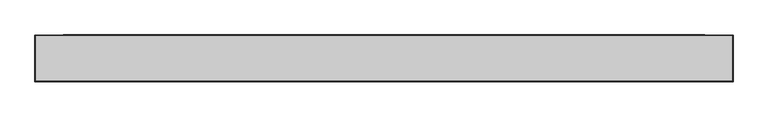
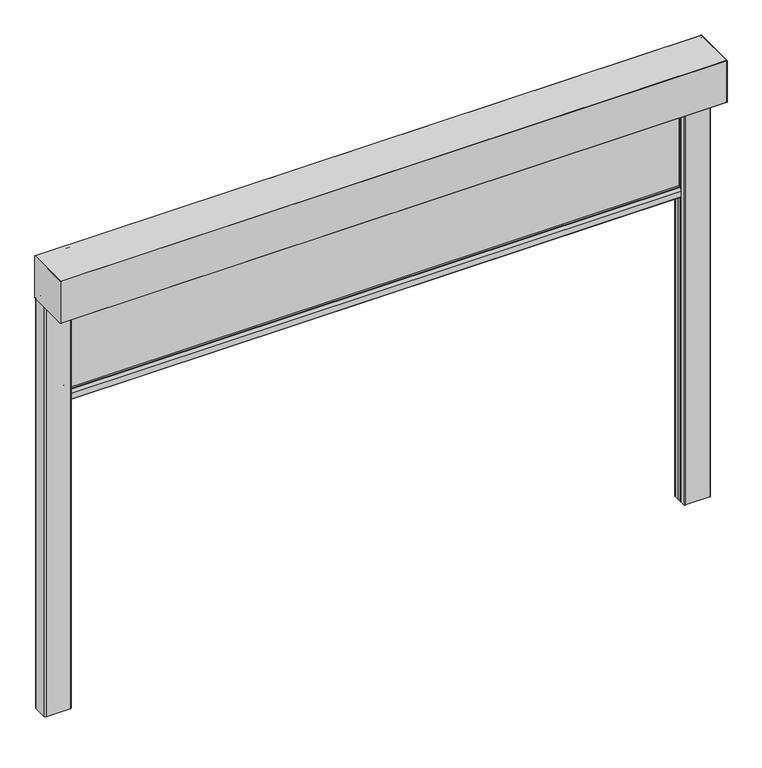
"""IFC4 building model written with IfcOpenShell, lengths in millimetres: alarm geometry."""

from ifc_helpers import new_model, si_unit, point, frame, frame_2d, origin, place, context, project, spatial, polyline, circle_curve, trimmed, segment, composite_curve, outline, extrude, source, transform, mapped, element, save
from ifc_brep_helpers import plane_surface, cylinder_surface, revolved_surface, advanced_brep


def alarm_fae5b232(model_context):
    return source(origin(), model_context, "Body", "SolidModel", [
        extrude(outline(composite_curve([segment(polyline([(32.3130377, -455.0), (67.6869623, -455.0)]), True, "CONTINUOUS"), segment(trimmed(circle_curve(frame_2d((67.6869623, -457.0)), 2.0), [point((67.6869623, -455.0))], [point((69.5220736, -456.2047851))], False, "CARTESIAN"), True, "CONTINUOUS"), segment(polyline([(69.5220736, -456.2047851), (75.5, -470.0), (75.5, -498.0)]), True, "CONTINUOUS"), segment(trimmed(circle_curve(frame_2d((73.5, -498.0)), 2.0), [point((75.5, -498.0))], [point((73.5, -500.0))], False, "CARTESIAN"), True, "CONTINUOUS"), segment(polyline([(73.5, -500.0), (26.5, -500.0)]), True, "CONTINUOUS"), segment(trimmed(circle_curve(frame_2d((26.5, -498.0)), 2.0), [point((26.5, -500.0))], [point((24.5, -498.0))], False, "CARTESIAN"), True, "CONTINUOUS"), segment(polyline([(24.5, -498.0), (24.5, -470.0), (30.4779264, -456.2047851)]), True, "CONTINUOUS"), segment(trimmed(circle_curve(frame_2d((32.3130377, -457.0)), 2.0), [point((30.4779264, -456.2047851))], [point((32.3130377, -455.0))], False, "CARTESIAN"), True, "CONTINUOUS")], self_intersect=False)), frame((-1380.0, 0.0, 0.0), z_axis=(1.0, 0.0, 0.0), x_axis=(0.0, 1.0, 0.0)), (0.0, 0.0, 1.0), 2760.0),
        extrude(outline(polyline([(1380.0, 42.5), (-1380.0, 42.5), (-1380.0, 57.5), (1380.0, 57.5), (1380.0, 42.5)])), frame((0.0, 0.0, -455.0), z_axis=(0.0, 0.0, 1.0), x_axis=(1.0, 0.0, 0.0)), (0.0, 0.0, 1.0), 465.0),
        extrude(outline(composite_curve([segment(polyline([(-125.0, 1.0), (-125.0, 199.0)]), True, "CONTINUOUS"), segment(trimmed(circle_curve(frame_2d((-124.0, 199.0)), 1.0), [point((-125.0, 199.0))], [point((-124.0, 200.0))], False, "CARTESIAN"), True, "CONTINUOUS"), segment(polyline([(-124.0, 200.0), (74.0, 200.0)]), True, "CONTINUOUS"), segment(trimmed(circle_curve(frame_2d((74.0, 199.0)), 1.0), [point((74.0, 200.0))], [point((75.0, 199.0))], False, "CARTESIAN"), True, "CONTINUOUS"), segment(polyline([(75.0, 199.0), (75.0, 1.5)]), True, "CONTINUOUS"), segment(trimmed(circle_curve(frame_2d((73.5, 1.5)), 1.5), [point((75.0, 1.5))], [point((73.5, 0.0))], False, "CARTESIAN"), True, "CONTINUOUS"), segment(polyline([(73.5, 0.0), (-124.0, 0.0)]), True, "CONTINUOUS"), segment(trimmed(circle_curve(frame_2d((-124.0, 1.0)), 1.0), [point((-124.0, 0.0))], [point((-125.0, 1.0))], False, "CARTESIAN"), True, "CONTINUOUS")], self_intersect=False)), frame((1500.0, 0.0, 0.0), z_axis=(1.0, 0.0, 0.0), x_axis=(0.0, 1.0, 0.0)), (0.0, 0.0, 1.0), 1.0),
        extrude(outline(composite_curve([segment(polyline([(-125.0, 1.0), (-125.0, 199.0)]), True, "CONTINUOUS"), segment(trimmed(circle_curve(frame_2d((-124.0, 199.0)), 1.0), [point((-125.0, 199.0))], [point((-124.0, 200.0))], False, "CARTESIAN"), True, "CONTINUOUS"), segment(polyline([(-124.0, 200.0), (74.0, 200.0)]), True, "CONTINUOUS"), segment(trimmed(circle_curve(frame_2d((74.0, 199.0)), 1.0), [point((74.0, 200.0))], [point((75.0, 199.0))], False, "CARTESIAN"), True, "CONTINUOUS"), segment(polyline([(75.0, 199.0), (75.0, 1.5)]), True, "CONTINUOUS"), segment(trimmed(circle_curve(frame_2d((73.5, 1.5)), 1.5), [point((75.0, 1.5))], [point((73.5, 0.0))], False, "CARTESIAN"), True, "CONTINUOUS"), segment(polyline([(73.5, 0.0), (-124.0, 0.0)]), True, "CONTINUOUS"), segment(trimmed(circle_curve(frame_2d((-124.0, 1.0)), 1.0), [point((-124.0, 0.0))], [point((-125.0, 1.0))], False, "CARTESIAN"), True, "CONTINUOUS")], self_intersect=False)), frame((-1501.0, 0.0, 0.0), z_axis=(1.0, 0.0, 0.0), x_axis=(0.0, 1.0, 0.0)), (0.0, 0.0, 1.0), 1.0),
        extrude(outline(composite_curve([segment(trimmed(circle_curve(frame_2d((1385.0, 70.0)), 5.0), [point((1380.0, 70.0))], [point((1385.0, 75.0))], False, "CARTESIAN"), True, "CONTINUOUS"), segment(polyline([(1385.0, 75.0), (1495.0, 75.0)]), True, "CONTINUOUS"), segment(trimmed(circle_curve(frame_2d((1495.0, 70.0)), 5.0), [point((1495.0, 75.0))], [point((1500.0, 70.0))], False, "CARTESIAN"), True, "CONTINUOUS"), segment(polyline([(1500.0, 70.0), (1500.0, 4.0)]), True, "CONTINUOUS"), segment(trimmed(circle_curve(frame_2d((1495.0, 4.0)), 5.0), [point((1500.0, 4.0))], [point((1495.0, -1.0))], False, "CARTESIAN"), True, "CONTINUOUS"), segment(polyline([(1495.0, -1.0), (1385.0, -1.0)]), True, "CONTINUOUS"), segment(trimmed(circle_curve(frame_2d((1385.0, 4.0)), 5.0), [point((1385.0, -1.0))], [point((1380.0, 4.0))], False, "CARTESIAN"), True, "CONTINUOUS"), segment(polyline([(1380.0, 4.0), (1380.0, 28.0)]), True, "CONTINUOUS"), segment(trimmed(circle_curve(frame_2d((1384.0, 28.0)), 4.0), [point((1380.0, 28.0))], [point((1384.0, 32.0))], False, "CARTESIAN"), True, "CONTINUOUS"), segment(polyline([(1384.0, 32.0), (1419.0, 32.0)]), True, "CONTINUOUS"), segment(trimmed(circle_curve(frame_2d((1419.0, 28.0)), 4.0), [point((1419.0, 32.0))], [point((1423.0, 28.0))], False, "CARTESIAN"), True, "CONTINUOUS"), segment(polyline([(1423.0, 28.0), (1423.0, 14.0)]), True, "CONTINUOUS"), segment(trimmed(circle_curve(frame_2d((1425.0, 14.0)), 2.0), [point((1423.0, 14.0))], [point((1425.0, 12.0))], True, "CARTESIAN"), True, "CONTINUOUS"), segment(polyline([(1425.0, 12.0), (1476.0, 12.0)]), True, "CONTINUOUS"), segment(trimmed(circle_curve(frame_2d((1476.0, 14.0)), 2.0), [point((1476.0, 12.0))], [point((1478.0, 14.0))], True, "CARTESIAN"), True, "CONTINUOUS"), segment(polyline([(1478.0, 14.0), (1478.0, 40.0)]), True, "CONTINUOUS"), segment(trimmed(circle_curve(frame_2d((1476.0, 40.0)), 2.0), [point((1478.0, 40.0))], [point((1476.0, 42.0))], True, "CARTESIAN"), True, "CONTINUOUS"), segment(polyline([(1476.0, 42.0), (1384.0, 42.0)]), True, "CONTINUOUS"), segment(trimmed(circle_curve(frame_2d((1384.0, 46.0)), 4.0), [point((1384.0, 42.0))], [point((1380.0, 46.0))], False, "CARTESIAN"), True, "CONTINUOUS"), segment(polyline([(1380.0, 46.0), (1380.0, 70.0)]), True, "CONTINUOUS")], self_intersect=False), holes=[composite_curve([segment(polyline([(1419.0, 30.0), (1384.0, 30.0)]), True, "CONTINUOUS"), segment(trimmed(circle_curve(frame_2d((1384.0, 28.0)), 2.0), [point((1384.0, 30.0))], [point((1382.0, 28.0))], True, "CARTESIAN"), True, "CONTINUOUS"), segment(polyline([(1382.0, 28.0), (1382.0, 4.0)]), True, "CONTINUOUS"), segment(trimmed(circle_curve(frame_2d((1385.0, 4.0)), 3.0), [point((1382.0, 4.0))], [point((1385.0, 1.0))], True, "CARTESIAN"), True, "CONTINUOUS"), segment(polyline([(1385.0, 1.0), (1495.0, 1.0)]), True, "CONTINUOUS"), segment(trimmed(circle_curve(frame_2d((1495.0, 4.0)), 3.0), [point((1495.0, 1.0))], [point((1498.0, 4.0))], True, "CARTESIAN"), True, "CONTINUOUS"), segment(polyline([(1498.0, 4.0), (1498.0, 70.0)]), True, "CONTINUOUS"), segment(trimmed(circle_curve(frame_2d((1495.0, 70.0)), 3.0), [point((1498.0, 70.0))], [point((1495.0, 73.0))], True, "CARTESIAN"), True, "CONTINUOUS"), segment(polyline([(1495.0, 73.0), (1385.0, 73.0)]), True, "CONTINUOUS"), segment(trimmed(circle_curve(frame_2d((1385.0, 70.0)), 3.0), [point((1385.0, 73.0))], [point((1382.0, 70.0))], True, "CARTESIAN"), True, "CONTINUOUS"), segment(polyline([(1382.0, 70.0), (1382.0, 46.0)]), True, "CONTINUOUS"), segment(trimmed(circle_curve(frame_2d((1384.0, 46.0)), 2.0), [point((1382.0, 46.0))], [point((1384.0, 44.0))], True, "CARTESIAN"), True, "CONTINUOUS"), segment(polyline([(1384.0, 44.0), (1476.0, 44.0)]), True, "CONTINUOUS"), segment(trimmed(circle_curve(frame_2d((1476.0, 40.0)), 4.0), [point((1476.0, 44.0))], [point((1480.0, 40.0))], False, "CARTESIAN"), True, "CONTINUOUS"), segment(polyline([(1480.0, 40.0), (1480.0, 14.0)]), True, "CONTINUOUS"), segment(trimmed(circle_curve(frame_2d((1476.0, 14.0)), 4.0), [point((1480.0, 14.0))], [point((1476.0, 10.0))], False, "CARTESIAN"), True, "CONTINUOUS"), segment(polyline([(1476.0, 10.0), (1425.0, 10.0)]), True, "CONTINUOUS"), segment(trimmed(circle_curve(frame_2d((1425.0, 14.0)), 4.0), [point((1425.0, 10.0))], [point((1421.0, 14.0))], False, "CARTESIAN"), True, "CONTINUOUS"), segment(polyline([(1421.0, 14.0), (1421.0, 28.0)]), True, "CONTINUOUS"), segment(trimmed(circle_curve(frame_2d((1419.0, 28.0)), 2.0), [point((1421.0, 28.0))], [point((1419.0, 30.0))], True, "CARTESIAN"), True, "CONTINUOUS")], self_intersect=False)]), frame((0.0, 0.0, -1950.0), z_axis=(0.0, 0.0, 1.0), x_axis=(1.0, 0.0, 0.0)), (0.0, 0.0, 1.0), 1950.0),
        extrude(outline(composite_curve([segment(trimmed(circle_curve(frame_2d((-1385.0, 4.0)), 5.0), [point((-1380.0, 4.0))], [point((-1385.0, -1.0))], False, "CARTESIAN"), True, "CONTINUOUS"), segment(polyline([(-1385.0, -1.0), (-1495.0, -1.0)]), True, "CONTINUOUS"), segment(trimmed(circle_curve(frame_2d((-1495.0, 4.0)), 5.0), [point((-1495.0, -1.0))], [point((-1500.0, 4.0))], False, "CARTESIAN"), True, "CONTINUOUS"), segment(polyline([(-1500.0, 4.0), (-1500.0, 70.0)]), True, "CONTINUOUS"), segment(trimmed(circle_curve(frame_2d((-1495.0, 70.0)), 5.0), [point((-1500.0, 70.0))], [point((-1495.0, 75.0))], False, "CARTESIAN"), True, "CONTINUOUS"), segment(polyline([(-1495.0, 75.0), (-1385.0, 75.0)]), True, "CONTINUOUS"), segment(trimmed(circle_curve(frame_2d((-1385.0, 70.0)), 5.0), [point((-1385.0, 75.0))], [point((-1380.0, 70.0))], False, "CARTESIAN"), True, "CONTINUOUS"), segment(polyline([(-1380.0, 70.0), (-1380.0, 46.0)]), True, "CONTINUOUS"), segment(trimmed(circle_curve(frame_2d((-1384.0, 46.0)), 4.0), [point((-1380.0, 46.0))], [point((-1384.0, 42.0))], False, "CARTESIAN"), True, "CONTINUOUS"), segment(polyline([(-1384.0, 42.0), (-1476.0, 42.0)]), True, "CONTINUOUS"), segment(trimmed(circle_curve(frame_2d((-1476.0, 40.0)), 2.0), [point((-1476.0, 42.0))], [point((-1478.0, 40.0))], True, "CARTESIAN"), True, "CONTINUOUS"), segment(polyline([(-1478.0, 40.0), (-1478.0, 14.0)]), True, "CONTINUOUS"), segment(trimmed(circle_curve(frame_2d((-1476.0, 14.0)), 2.0), [point((-1478.0, 14.0))], [point((-1476.0, 12.0))], True, "CARTESIAN"), True, "CONTINUOUS"), segment(polyline([(-1476.0, 12.0), (-1425.0, 12.0)]), True, "CONTINUOUS"), segment(trimmed(circle_curve(frame_2d((-1425.0, 14.0)), 2.0), [point((-1425.0, 12.0))], [point((-1423.0, 14.0))], True, "CARTESIAN"), True, "CONTINUOUS"), segment(polyline([(-1423.0, 14.0), (-1423.0, 28.0)]), True, "CONTINUOUS"), segment(trimmed(circle_curve(frame_2d((-1419.0, 28.0)), 4.0), [point((-1423.0, 28.0))], [point((-1419.0, 32.0))], False, "CARTESIAN"), True, "CONTINUOUS"), segment(polyline([(-1419.0, 32.0), (-1384.0, 32.0)]), True, "CONTINUOUS"), segment(trimmed(circle_curve(frame_2d((-1384.0, 28.0)), 4.0), [point((-1384.0, 32.0))], [point((-1380.0, 28.0))], False, "CARTESIAN"), True, "CONTINUOUS"), segment(polyline([(-1380.0, 28.0), (-1380.0, 4.0)]), True, "CONTINUOUS")], self_intersect=False), holes=[composite_curve([segment(trimmed(circle_curve(frame_2d((-1384.0, 28.0)), 2.0), [point((-1382.0, 28.0))], [point((-1384.0, 30.0))], True, "CARTESIAN"), True, "CONTINUOUS"), segment(polyline([(-1384.0, 30.0), (-1419.0, 30.0)]), True, "CONTINUOUS"), segment(trimmed(circle_curve(frame_2d((-1419.0, 28.0)), 2.0), [point((-1419.0, 30.0))], [point((-1421.0, 28.0))], True, "CARTESIAN"), True, "CONTINUOUS"), segment(polyline([(-1421.0, 28.0), (-1421.0, 14.0)]), True, "CONTINUOUS"), segment(trimmed(circle_curve(frame_2d((-1425.0, 14.0)), 4.0), [point((-1421.0, 14.0))], [point((-1425.0, 10.0))], False, "CARTESIAN"), True, "CONTINUOUS"), segment(polyline([(-1425.0, 10.0), (-1476.0, 10.0)]), True, "CONTINUOUS"), segment(trimmed(circle_curve(frame_2d((-1476.0, 14.0)), 4.0), [point((-1476.0, 10.0))], [point((-1480.0, 14.0))], False, "CARTESIAN"), True, "CONTINUOUS"), segment(polyline([(-1480.0, 14.0), (-1480.0, 40.0)]), True, "CONTINUOUS"), segment(trimmed(circle_curve(frame_2d((-1476.0, 40.0)), 4.0), [point((-1480.0, 40.0))], [point((-1476.0, 44.0))], False, "CARTESIAN"), True, "CONTINUOUS"), segment(polyline([(-1476.0, 44.0), (-1384.0, 44.0)]), True, "CONTINUOUS"), segment(trimmed(circle_curve(frame_2d((-1384.0, 46.0)), 2.0), [point((-1384.0, 44.0))], [point((-1382.0, 46.0))], True, "CARTESIAN"), True, "CONTINUOUS"), segment(polyline([(-1382.0, 46.0), (-1382.0, 70.0)]), True, "CONTINUOUS"), segment(trimmed(circle_curve(frame_2d((-1385.0, 70.0)), 3.0), [point((-1382.0, 70.0))], [point((-1385.0, 73.0))], True, "CARTESIAN"), True, "CONTINUOUS"), segment(polyline([(-1385.0, 73.0), (-1495.0, 73.0)]), True, "CONTINUOUS"), segment(trimmed(circle_curve(frame_2d((-1495.0, 70.0)), 3.0), [point((-1495.0, 73.0))], [point((-1498.0, 70.0))], True, "CARTESIAN"), True, "CONTINUOUS"), segment(polyline([(-1498.0, 70.0), (-1498.0, 4.0)]), True, "CONTINUOUS"), segment(trimmed(circle_curve(frame_2d((-1495.0, 4.0)), 3.0), [point((-1498.0, 4.0))], [point((-1495.0, 1.0))], True, "CARTESIAN"), True, "CONTINUOUS"), segment(polyline([(-1495.0, 1.0), (-1385.0, 1.0)]), True, "CONTINUOUS"), segment(trimmed(circle_curve(frame_2d((-1385.0, 4.0)), 3.0), [point((-1385.0, 1.0))], [point((-1382.0, 4.0))], True, "CARTESIAN"), True, "CONTINUOUS"), segment(polyline([(-1382.0, 4.0), (-1382.0, 28.0)]), True, "CONTINUOUS")], self_intersect=False)]), frame((0.0, 0.0, -1950.0), z_axis=(0.0, 0.0, 1.0), x_axis=(1.0, 0.0, 0.0)), (0.0, 0.0, 1.0), 1950.0),
        advanced_brep(
        [(1500.0, 74.0, 200.0), (1500.0, -124.0, 200.0), (1500.0, -125.0, 199.0), (1500.0, -125.0, 1.0), (1500.0, -124.0, 0.0), (1500.0, 16.904949, 0.0), (1500.0, 19.2161509, 1.2344139), (1500.0, 43.6190015, 34.8222745), (1500.0, 42.0009577, 37.99784), (1500.0, 30.5009577, 37.9978045), (1500.0, 30.6317006, 35.0035128), (1500.0, 37.1126506, 35.5705426), (1500.0, 37.0254918, 36.5667371), (1500.0, 30.5445418, 35.9997072), (1500.0, 30.5009608, 36.9978045), (1500.0, 42.0049635, 36.99784), (1500.0, 42.8139885, 35.4100616), (1500.0, 20.7184124, 4.9975685), (1500.0, -118.4990953, 4.9975685), (1500.0, -118.4990953, 190.0001942), (1500.0, -114.4991113, 194.0001783), (1500.0, 64.4999422, 194.0001783), (1500.0, 68.5003406, 189.9997799), (1500.0, 68.5003406, 32.9978598), (1500.0, 71.0003714, 32.9978598), (1500.0, 71.0003714, 19.9978095), (1500.0, 74.0003573, 19.9978095), (1500.0, 74.0003573, 1.3255837), (1500.0, 73.0249422, 1.1710911), (1500.0, 63.1362847, 31.6048165), (1500.0, 62.1852498, 31.2958032), (1500.0, 72.0225757, 1.0199506), (1500.0, 75.0, 1.5), (1500.0, 75.0, 199.0), (-1500.0, 74.0, 200.0), (-1500.0, 75.0, 199.0), (-1500.0, 75.0, 1.5), (-1500.0, 72.0734167, 1.03647), (-1500.0, 62.1852498, 31.2958032), (-1500.0, 63.1362847, 31.6048165), (-1500.0, 73.0249422, 1.1710911), (-1500.0, 74.0003573, 1.3255837), (-1500.0, 74.0003573, 19.9978095), (-1500.0, 71.0003714, 19.9978095), (-1500.0, 71.0003714, 32.9978598), (-1500.0, 68.5003406, 32.9978598), (-1500.0, 68.5003406, 189.9997799), (-1500.0, 64.4999422, 194.0001783), (-1500.0, -114.4991113, 194.0001783), (-1500.0, -118.4990953, 190.0001942), (-1500.0, -118.4990953, 4.9975685), (-1500.0, 20.7184124, 4.9975685), (-1500.0, 42.8139885, 35.4100616), (-1500.0, 42.0049635, 36.99784), (-1500.0, 30.5009608, 36.9978045), (-1500.0, 30.5445418, 35.9997072), (-1500.0, 37.0254918, 36.5667371), (-1500.0, 37.1126506, 35.5705426), (-1500.0, 30.6317006, 35.0035128), (-1500.0, 30.5009577, 37.9978045), (-1500.0, 42.0009577, 37.99784), (-1500.0, 43.6190015, 34.8222745), (-1500.0, 19.2161509, 1.2344139), (-1500.0, 16.904949, 0.0), (-1500.0, -124.0, 0.0), (-1500.0, -125.0, 1.0), (-1500.0, -125.0, 199.0), (-1500.0, -124.0, 200.0)],
        [
            (0, 1),
            (1, 2, circle_curve(frame((1500.0, -124.0, 199.0), z_axis=(1.0, 0.0, 0.0), x_axis=(0.0, 1.0, 0.0)), 1.0)),
            (2, 3),
            (3, 4, circle_curve(frame((1500.0, -124.0, 1.0), z_axis=(1.0, 0.0, 0.0), x_axis=(0.0, 1.0, 0.0)), 1.0)),
            (4, 5),
            (5, 6, circle_curve(frame((1500.0, 16.7890944, 2.9977621), z_axis=(1.0, 0.0, 0.0), x_axis=(0.0, 1.0, 0.0)), 3.0)),
            (6, 7),
            (7, 8, circle_curve(frame((1500.0, 42.0009639, 35.99784), z_axis=(1.0, 0.0, 0.0), x_axis=(0.0, 1.0, 0.0)), 2.0)),
            (8, 9),
            (9, 10, circle_curve(frame((1500.0, 30.5009624, 36.4978045), z_axis=(1.0, 0.0, 0.0), x_axis=(0.0, 1.0, 0.0)), 1.5)),
            (10, 11),
            (11, 12),
            (12, 13),
            (13, 14, circle_curve(frame((1500.0, 30.5009624, 36.4978045), z_axis=(-1.0, 0.0, 0.0), x_axis=(0.0, 1.0, 0.0)), 0.5)),
            (14, 15),
            (15, 16, circle_curve(frame((1500.0, 42.0049665, 35.99784), z_axis=(-1.0, 0.0, 0.0), x_axis=(0.0, 1.0, 0.0)), 1.0)),
            (16, 17),
            (17, 18),
            (18, 19),
            (19, 20, circle_curve(frame((1500.0, -114.4991113, 190.0001942), z_axis=(-1.0, 0.0, 0.0), x_axis=(0.0, 1.0, 0.0)), 3.9999841)),
            (20, 21),
            (21, 22, circle_curve(frame((1500.0, 64.4999422, 189.9997799), z_axis=(-1.0, 0.0, 0.0), x_axis=(0.0, 1.0, 0.0)), 4.0003984)),
            (22, 23),
            (23, 24),
            (24, 25),
            (25, 26),
            (26, 27),
            (27, 28, circle_curve(frame((1500.0, 73.500415, 1.3255837), z_axis=(-1.0, 0.0, 0.0), x_axis=(0.0, 1.0, 0.0)), 0.4999423)),
            (28, 29),
            (29, 30),
            (30, 31),
            (31, 32, circle_curve(frame((1500.0, 73.5, 1.5), z_axis=(1.0, 0.0, 0.0), x_axis=(0.0, 1.0, 0.0)), 1.5)),
            (32, 33),
            (33, 0, circle_curve(frame((1500.0, 74.0, 199.0), z_axis=(1.0, 0.0, 0.0), x_axis=(0.0, 1.0, 0.0)), 1.0)),
            (34, 35, circle_curve(frame((-1500.0, 74.0, 199.0), z_axis=(-1.0, 0.0, 0.0), x_axis=(0.0, 1.0, 0.0)), 1.0)),
            (35, 36),
            (36, 37, circle_curve(frame((-1500.0, 73.5, 1.5), z_axis=(-1.0, 0.0, 0.0), x_axis=(0.0, 1.0, 0.0)), 1.5)),
            (37, 38),
            (38, 39),
            (39, 40),
            (40, 41, circle_curve(frame((-1500.0, 73.500415, 1.3255837), z_axis=(1.0, 0.0, 0.0), x_axis=(0.0, 1.0, 0.0)), 0.4999423)),
            (41, 42),
            (42, 43),
            (43, 44),
            (44, 45),
            (45, 46),
            (46, 47, circle_curve(frame((-1500.0, 64.4999422, 189.9997799), z_axis=(1.0, 0.0, 0.0), x_axis=(0.0, 1.0, 0.0)), 4.0003984)),
            (47, 48),
            (48, 49, circle_curve(frame((-1500.0, -114.4991113, 190.0001942), z_axis=(1.0, 0.0, 0.0), x_axis=(0.0, 1.0, 0.0)), 3.9999841)),
            (49, 50),
            (50, 51),
            (51, 52),
            (52, 53, circle_curve(frame((-1500.0, 42.0049665, 35.99784), z_axis=(1.0, 0.0, 0.0), x_axis=(0.0, 1.0, 0.0)), 1.0)),
            (53, 54),
            (54, 55, circle_curve(frame((-1500.0, 30.5009624, 36.4978045), z_axis=(1.0, 0.0, 0.0), x_axis=(0.0, 1.0, 0.0)), 0.5)),
            (55, 56),
            (56, 57),
            (57, 58),
            (58, 59, circle_curve(frame((-1500.0, 30.5009624, 36.4978045), z_axis=(-1.0, 0.0, 0.0), x_axis=(0.0, 1.0, 0.0)), 1.5)),
            (59, 60),
            (60, 61, circle_curve(frame((-1500.0, 42.0009639, 35.99784), z_axis=(-1.0, 0.0, 0.0), x_axis=(0.0, 1.0, 0.0)), 2.0)),
            (61, 62),
            (62, 63, circle_curve(frame((-1500.0, 16.7890944, 2.9977621), z_axis=(-1.0, 0.0, 0.0), x_axis=(0.0, 1.0, 0.0)), 3.0)),
            (63, 64),
            (64, 65, circle_curve(frame((-1500.0, -124.0, 1.0), z_axis=(-1.0, 0.0, 0.0), x_axis=(0.0, 1.0, 0.0)), 1.0)),
            (65, 66),
            (66, 67, circle_curve(frame((-1500.0, -124.0, 199.0), z_axis=(-1.0, 0.0, 0.0), x_axis=(0.0, 1.0, 0.0)), 1.0)),
            (67, 34),
            (0, 34),
            (67, 1),
            (66, 2),
            (65, 3),
            (64, 4),
            (63, 5),
            (62, 6),
            (61, 7),
            (60, 8),
            (59, 9),
            (58, 10),
            (57, 11),
            (56, 12),
            (55, 13),
            (54, 14),
            (53, 15),
            (52, 16),
            (51, 17),
            (50, 18),
            (49, 19),
            (48, 20),
            (47, 21),
            (46, 22),
            (45, 23),
            (44, 24),
            (43, 25),
            (42, 26),
            (41, 27),
            (40, 28),
            (39, 29),
            (38, 30),
            (37, 31),
            (36, 32),
            (35, 33),
        ],
        [
            plane_surface(frame((1500.0, -124.0, 200.0), z_axis=(1.0, 0.0, 0.0), x_axis=(0.0, -1.0, 0.0))),
            plane_surface(frame((-1500.0, -124.0, 200.0), z_axis=(-1.0, 0.0, 0.0), x_axis=(0.0, 1.0, 0.0))),
            plane_surface(frame((1500.0, 74.0, 200.0), z_axis=(0.0, 0.0, 1.0), x_axis=(-1.0, 0.0, 0.0))),
            cylinder_surface(frame((-1500.0, -124.0, 199.0), z_axis=(1.0, 0.0, 0.0), x_axis=(0.0, 1.0, 0.0)), 1.0),
            plane_surface(frame((1500.0, -125.0, 199.0), z_axis=(0.0, -1.0, 0.0), x_axis=(-1.0, 0.0, 0.0))),
            cylinder_surface(frame((-1500.0, -124.0, 1.0), z_axis=(1.0, 0.0, 0.0), x_axis=(0.0, 1.0, 0.0)), 1.0),
            plane_surface(frame((1500.0, -124.0, 0.0), z_axis=(0.0, 0.0, -1.0), x_axis=(-1.0, 0.0, 0.0))),
            cylinder_surface(frame((-1500.0, 16.7890944, 2.9977621), z_axis=(1.0, 0.0, 0.0), x_axis=(0.0, 1.0, 0.0)), 3.0),
            plane_surface(frame((1500.0, 19.2161509, 1.2344139), z_axis=(0.0, 0.8090188094303566, -0.5877827540749119), x_axis=(-1.0, 0.0, 0.0))),
            cylinder_surface(frame((-1500.0, 42.0009639, 35.99784), z_axis=(1.0, 0.0, 0.0), x_axis=(0.0, 1.0, 0.0)), 2.0),
            plane_surface(frame((1500.0, 42.0009577, 37.99784), z_axis=(0.0, -3.088237830317778e-06, 0.9999999999952314), x_axis=(-1.0, 0.0, 0.0))),
            cylinder_surface(frame((-1500.0, 30.5009624, 36.4978045), z_axis=(1.0, 0.0, 0.0), x_axis=(0.0, 1.0, 0.0)), 1.5),
            plane_surface(frame((1500.0, 30.6317006, 35.0035128), z_axis=(0.0, 0.08715881901511315, -0.9961944289484311), x_axis=(-1.0, 0.0, 0.0))),
            plane_surface(frame((1500.0, 37.1126506, 35.5705426), z_axis=(0.0, 0.9961944289489405, 0.08715881900929093), x_axis=(-1.0, 0.0, 0.0))),
            plane_surface(frame((1500.0, 37.0254918, 36.5667371), z_axis=(0.0, -0.08715881902170787, 0.9961944289478541), x_axis=(-1.0, 0.0, 0.0))),
            revolved_surface(polyline([(-1500.0, 31.0009624, 36.4978045), (1500.0, 31.0009624, 36.4978045)]), (-1500.0, 30.5009624, 36.4978045), (-1.0, 0.0, 0.0)),
            plane_surface(frame((1500.0, 30.5009608, 36.9978045), z_axis=(0.0, 3.087235492413244e-06, -0.9999999999952345), x_axis=(-1.0, 0.0, 0.0))),
            revolved_surface(polyline([(-1500.0, 43.0049665, 35.99784), (1500.0, 43.0049665, 35.99784)]), (-1500.0, 42.0049665, 35.99784), (-1.0, 0.0, 0.0)),
            plane_surface(frame((1500.0, 42.8139885, 35.4100616), z_axis=(0.0, -0.8090219718393253, 0.5877784013394928), x_axis=(-1.0, 0.0, 0.0))),
            plane_surface(frame((1500.0, 20.7184124, 4.9975685), z_axis=(0.0, 0.0, 1.0), x_axis=(-1.0, 0.0, 0.0))),
            plane_surface(frame((1500.0, -118.4990953, 4.9975685), z_axis=(0.0, 1.0, 0.0), x_axis=(-1.0, 0.0, 0.0))),
            revolved_surface(polyline([(-1500.0, -110.49912719999999, 190.0001942), (1500.0, -110.49912719999999, 190.0001942)]), (-1500.0, -114.4991113, 190.0001942), (-1.0, 0.0, 0.0)),
            plane_surface(frame((1500.0, -114.4991113, 194.0001783), z_axis=(0.0, 0.0, -1.0), x_axis=(-1.0, 0.0, 0.0))),
            revolved_surface(polyline([(-1500.0, 68.5003406, 189.9997799), (1500.0, 68.5003406, 189.9997799)]), (-1500.0, 64.4999422, 189.9997799), (-1.0, 0.0, 0.0)),
            plane_surface(frame((1500.0, 68.5003406, 189.9997799), z_axis=(0.0, -1.0, 0.0), x_axis=(-1.0, 0.0, 0.0))),
            plane_surface(frame((1500.0, 68.5003406, 32.9978598), z_axis=(0.0, 0.0, -1.0), x_axis=(-1.0, 0.0, 0.0))),
            plane_surface(frame((1500.0, 71.0003714, 32.9978598), z_axis=(0.0, -1.0, 0.0), x_axis=(-1.0, 0.0, 0.0))),
            plane_surface(frame((1500.0, 71.0003714, 19.9978095), z_axis=(0.0, 0.0, -1.0), x_axis=(-1.0, 0.0, 0.0))),
            plane_surface(frame((1500.0, 74.0003573, 19.9978095), z_axis=(0.0, -1.0, -1.2844647031399892e-12), x_axis=(-1.0, 0.0, 0.0))),
            revolved_surface(polyline([(-1500.0, 74.0003573, 1.3255837), (1500.0, 74.0003573, 1.3255837)]), (-1500.0, 73.500415, 1.3255837), (-1.0, 0.0, 0.0)),
            plane_surface(frame((1500.0, 73.0249422, 1.1710911), z_axis=(0.0, 0.9510552244543146, 0.3090209702239532), x_axis=(-1.0, 0.0, 0.0))),
            plane_surface(frame((1500.0, 63.1362847, 31.6048165), z_axis=(0.0, -0.3090199811024944, 0.9510555458433614), x_axis=(-1.0, 0.0, 0.0))),
            plane_surface(frame((1500.0, 62.1852498, 31.2958032), z_axis=(0.0, -0.9510555458434065, -0.3090199811023557), x_axis=(-1.0, 0.0, 0.0))),
            cylinder_surface(frame((-1500.0, 73.5, 1.5), z_axis=(1.0, 0.0, 0.0), x_axis=(0.0, 1.0, 0.0)), 1.5),
            plane_surface(frame((1500.0, 75.0, 1.5), z_axis=(0.0, 1.0, 0.0), x_axis=(-1.0, 0.0, 0.0))),
            cylinder_surface(frame((-1500.0, 74.0, 199.0), z_axis=(1.0, 0.0, 0.0), x_axis=(0.0, 1.0, 0.0)), 1.0),
        ],
        [
            (0, [[1, 2, 3, 4, 5, 6, 7, 8, 9, 10, 11, 12, 13, 14, 15, 16, 17, 18, 19, 20, 21, 22, 23, 24, 25, 26, 27, 28, 29, 30, 31, 32, 33, 34]]),
            (1, [[35, 36, 37, 38, 39, 40, 41, 42, 43, 44, 45, 46, 47, 48, 49, 50, 51, 52, 53, 54, 55, 56, 57, 58, 59, 60, 61, 62, 63, 64, 65, 66, 67, 68]]),
            (2, [[-1, 69, -68, 70]]),
            (3, [[-2, -70, -67, 71]]),
            (4, [[-3, -71, -66, 72]]),
            (5, [[-4, -72, -65, 73]]),
            (6, [[-5, -73, -64, 74]]),
            (7, [[-6, -74, -63, 75]]),
            (8, [[-7, -75, -62, 76]]),
            (9, [[-8, -76, -61, 77]]),
            (10, [[-9, -77, -60, 78]]),
            (11, [[-10, -78, -59, 79]]),
            (12, [[-11, -79, -58, 80]]),
            (13, [[-12, -80, -57, 81]]),
            (14, [[-13, -81, -56, 82]]),
            (15, [[-14, -82, -55, 83]]),
            (16, [[-15, -83, -54, 84]]),
            (17, [[-16, -84, -53, 85]]),
            (18, [[-17, -85, -52, 86]]),
            (19, [[-18, -86, -51, 87]]),
            (20, [[-19, -87, -50, 88]]),
            (21, [[-20, -88, -49, 89]]),
            (22, [[-21, -89, -48, 90]]),
            (23, [[-22, -90, -47, 91]]),
            (24, [[-23, -91, -46, 92]]),
            (25, [[-24, -92, -45, 93]]),
            (26, [[-25, -93, -44, 94]]),
            (27, [[-26, -94, -43, 95]]),
            (28, [[-27, -95, -42, 96]]),
            (29, [[-28, -96, -41, 97]]),
            (30, [[-29, -97, -40, 98]]),
            (31, [[-30, -98, -39, 99]]),
            (32, [[-31, -99, -38, 100]]),
            (33, [[-32, -100, -37, 101]]),
            (34, [[-33, -101, -36, 102]]),
            (35, [[-34, -102, -35, -69]]),
        ],
    ),
    ])


if __name__ == "__main__":
    model = new_model("IFC4")
    model_context = context("Model", 3, world=origin())
    ifc_project = project(units=[si_unit("LENGTHUNIT", "METRE", prefix="MILLI")], contexts=[model_context])
    site = spatial("IfcSite", under=ifc_project)
    building = spatial("IfcBuilding", under=site)
    placement = place(None, origin())
    alarm_shape = alarm_fae5b232(model_context)
    element("IfcAlarm", 1, at=placement, inside=building, context=model_context, shape_type="MappedRepresentation", body=[
        mapped(alarm_shape, transform((0.0, 0.0, 0.0), x_axis=(1.0, 0.0, 0.0), y_axis=(0.0, 1.0, 0.0), z_axis=(0.0, 0.0, 1.0))),
    ])
    save(model, "model.ifc")
